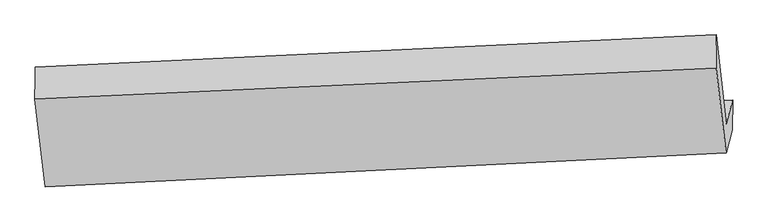
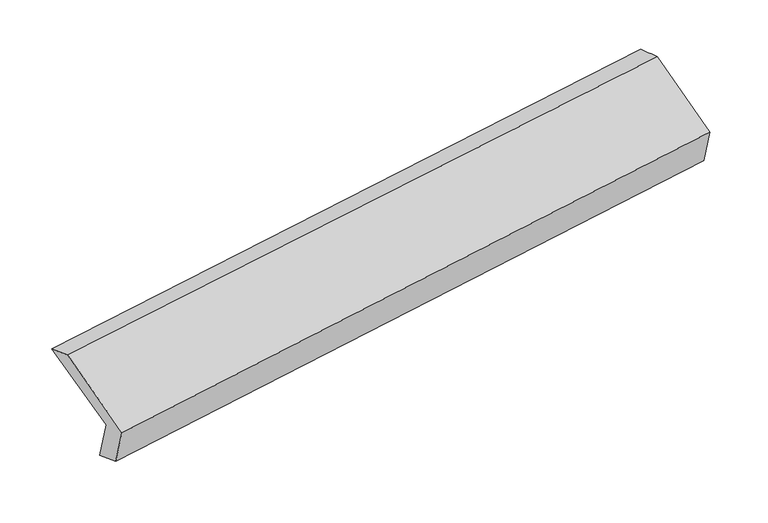
"""IFC4 building model written with IfcOpenShell, lengths in millimetres: proxy geometry."""

from ifc_helpers import new_model, si_unit, frame, origin, place, context, project, spatial, source, transform, mapped, element, save
from ifc_brep_helpers import plane_surface, spline_surface, advanced_brep


def generic_models_80d3a176(model_context):
    return source(origin(), model_context, "Body", "AdvancedBrep", [
        advanced_brep(
        [(-5142.1290013, -1604.4804135, 1219.7377119), (-5186.6201567, -1769.7041339, 1581.4169645), (-519.192033, -1547.2515199, 2257.191748), (-474.7008776, -1382.0277995, 1895.5124955), (-5143.7235088, -1820.4928316, 1299.4282025), (-477.4109412, -1589.3877852, 1980.207644), (-5186.0034794, -1977.5050279, 1643.1322038), (-519.652213, -1746.256269, 2323.5970544), (-5255.713763, -1375.7849522, 1936.4836105), (-587.2896208, -1162.4286894, 2608.2254865), (-5253.6118455, -1157.8882011, 1852.6682633), (-586.1837218, -935.4355871, 2528.4430469)],
        [
            (0, 1),
            (1, 2),
            (2, 3),
            (3, 0),
            (4, 0),
            (3, 5),
            (5, 4),
            (6, 4),
            (5, 7),
            (7, 6),
            (8, 6),
            (7, 9),
            (9, 8),
            (10, 8),
            (9, 11),
            (11, 10),
            (1, 10),
            (11, 2),
        ],
        [
            plane_surface(frame((-5164.374579, -1687.0922737, 1400.5773382), z_axis=(-0.10169592624338672, 0.9095373614579527, 0.4029884944978023), x_axis=(-0.11119654167828498, -0.4129428902788457, 0.9039433049074166))),
            spline_surface(1, 1, [[(-5143.7235088, -1820.4928316, 1299.4282025), (-477.4109412, -1589.3877852, 1980.207644)], [(-5142.1290013, -1604.4804135, 1219.7377119), (-474.7008776, -1382.0277995, 1895.5124955)]], [2, 2], [2, 2], [0.0, 1.0], [0.0, 1.0]),
            plane_surface(frame((-5164.8634941, -1898.9989298, 1471.2802032), z_axis=(0.10378953755729266, -0.9094355276234205, -0.40268443350836686), x_axis=(0.1111965416782828, 0.4129428902788466, -0.9039433049074164))),
            plane_surface(frame((-5220.8586212, -1676.6449901, 1789.8079071), z_axis=(-0.10750505521975642, -0.4457134010160703, 0.8886969265485759), x_axis=(0.10357538559154435, -0.8940343611595585, -0.4358608729463831))),
            spline_surface(1, 1, [[(-5253.6118455, -1157.8882011, 1852.6682633), (-586.1837218, -935.4355871, 2528.4430469)], [(-5255.713763, -1375.7849522, 1936.4836105), (-587.2896208, -1162.4286894, 2608.2254865)]], [2, 2], [2, 2], [0.0, 1.0], [0.0, 1.0]),
            plane_surface(frame((-5220.1160011, -1463.7961675, 1717.0426139), z_axis=(0.11119654167832936, 0.41294289027883724, -0.903943304907415), x_axis=(-0.09960183992788459, 0.9096351159379525, 0.4032907503718971))),
            plane_surface(frame((-527.4049012, -1393.7979417, 2265.5295792), z_axis=(0.9887946210420897, 0.04518987962707711, 0.14227815073833594), x_axis=(0.10357538559154435, -0.8940343611595585, -0.4358608729463831))),
            plane_surface(frame((-5194.6336258, -1617.6425934, 1588.8111594), z_axis=(-0.9887946210420927, -0.04518987962704399, -0.14227815073832462), x_axis=(0.11119654167828598, 0.4129428902788456, -0.9039433049074165))),
        ],
        [
            (0, [[1, 2, 3, 4]]),
            (1, [[5, -4, 6, 7]]),
            (2, [[8, -7, 9, 10]]),
            (3, [[11, -10, 12, 13]]),
            (4, [[14, -13, 15, 16]]),
            (5, [[17, -16, 18, -2]]),
            (6, [[-12, -9, -6, -3, -18, -15]]),
            (7, [[-1, -5, -8, -11, -14, -17]]),
        ],
    ),
    ])


if __name__ == "__main__":
    model = new_model("IFC4")
    model_context = context("Model", 3, world=origin())
    ifc_project = project(units=[si_unit("LENGTHUNIT", "METRE", prefix="MILLI")], contexts=[model_context])
    site = spatial("IfcSite", under=ifc_project)
    building = spatial("IfcBuilding", under=site)
    placement = place(None, origin())
    generic_models_shape = generic_models_80d3a176(model_context)
    element("IfcBuildingElementProxy", 1, Name="Generic Models", at=placement, inside=building, context=model_context, shape_type="MappedRepresentation", body=[
        mapped(generic_models_shape, transform((0.0, 0.0, 0.0), x_axis=(1.0, 0.0, 0.0), y_axis=(0.0, 1.0, 0.0), z_axis=(0.0, 0.0, 1.0))),
    ])
    save(model, "model.ifc")
